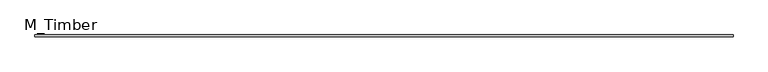
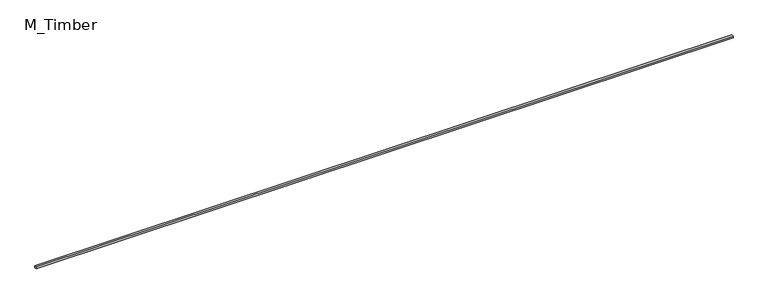
"""IFC4 building model written with IfcOpenShell, lengths in millimetres: beam geometry, M_Timber."""

from ifc_helpers import new_model, si_unit, frame, origin, place, context, project, spatial, polyline, outline, extrude, source, transform, mapped, element, save


def m_timber_19287100(model_context):
    return source(origin(), model_context, "Body", "SweptSolid", [
        extrude(outline(polyline([(7132.6710401, 20.0), (7132.6710401, -20.0), (-7132.6710401, -20.0), (-7132.6710401, 20.0), (7132.6710401, 20.0)])), frame((0.0, 0.0, -20.0), z_axis=(0.0, 0.0, 1.0), x_axis=(1.0, 0.0, 0.0)), (0.0, 0.0, 1.0), 40.0),
    ])


if __name__ == "__main__":
    model = new_model("IFC4")
    model_context = context("Model", 3, world=origin())
    ifc_project = project(units=[si_unit("LENGTHUNIT", "METRE", prefix="MILLI")], contexts=[model_context])
    site = spatial("IfcSite", under=ifc_project)
    building = spatial("IfcBuilding", under=site)
    placement = place(None, origin())
    m_timber_shape = m_timber_19287100(model_context)
    element("IfcBeam", 1, ObjectType="M_Timber", at=placement, inside=building, context=model_context, shape_type="MappedRepresentation", body=[
        mapped(m_timber_shape, transform((0.0, 0.0, 0.0), x_axis=(1.0, 0.0, 0.0), y_axis=(0.0, 1.0, 0.0), z_axis=(0.0, 0.0, 1.0))),
    ])
    save(model, "model.ifc")
